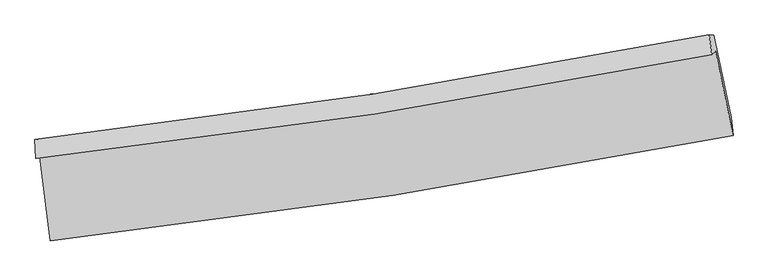
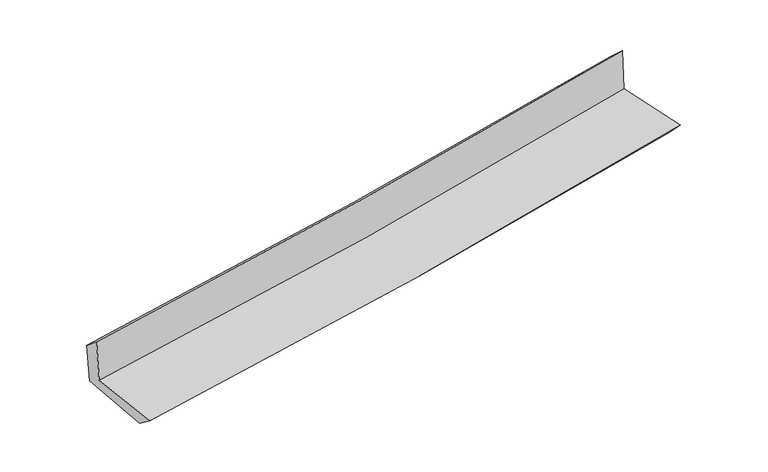
"""IFC4 building model written with IfcOpenShell, lengths in millimetres: proxy geometry."""

import ifcopenshell
import ifcopenshell.guid

model = None  # the IFC model being written
_history = None  # IfcOwnerHistory: only IFC2X3 demands one
_inside = {}  # id of a spatial element -> (the spatial element, [elements in it])
_under = {}  # id of a project, library or spatial element -> (it, [spatial elements below it])
_declared = {}  # id of a project -> (the project, [libraries it declares])
_typed = {}  # id of a type object -> (the type object, [elements of that type])
_made_of = {}  # id of a material, layer set ... -> (it, [elements and type objects made of it])


def new_model(schema):
    """Start an empty IFC model of exactly this schema.

    Asked for "IFC4X3", IfcOpenShell would pick the latest addendum, in which some entities
    have other attributes; the version numbers below select the first issue.
    IFC2X3 requires an IfcOwnerHistory on every rooted entity: one is made here for all.
    """
    global model, _history
    if schema == "IFC4X3":
        model = ifcopenshell.file(schema_version=(4, 3, 0, 0))
    else:
        model = ifcopenshell.file(schema=schema)
    _inside.clear()
    _under.clear()
    _declared.clear()
    _typed.clear()
    _made_of.clear()
    _history = None
    if model.schema == "IFC2X3":
        org = make("IfcOrganization", Name="unknown")
        user = make(
            "IfcPersonAndOrganization",
            ThePerson=make("IfcPerson", FamilyName="unknown"),
            TheOrganization=org,
        )
        app = make(
            "IfcApplication",
            ApplicationDeveloper=org,
            Version="unknown",
            ApplicationFullName="unknown",
            ApplicationIdentifier="unknown",
        )
        _history = make(
            "IfcOwnerHistory",
            OwningUser=user,
            OwningApplication=app,
            ChangeAction="ADDED",
            CreationDate=0,
        )
    return model


def make(cls, **values):
    """One entity of the class cls with the attributes given. An attribute that is None is left unset."""
    return model.create_entity(
        cls, **{name: value for name, value in values.items() if value is not None}
    )


def rooted(cls, **values):
    """An entity with a GlobalId (a new one), such as an element, a storey or a relation."""
    return make(cls, GlobalId=ifcopenshell.guid.new(), OwnerHistory=_history, **values)


def si_unit(unit_type, name, prefix=None):
    """IfcSIUnit, for example si_unit("LENGTHUNIT", "METRE", prefix="MILLI")."""
    return make("IfcSIUnit", UnitType=unit_type, Prefix=prefix, Name=name)


def assignment(units):
    """IfcUnitAssignment: the units of a project."""
    return None if units is None else make("IfcUnitAssignment", Units=units)


def point(xyz):
    """IfcCartesianPoint."""
    return None if xyz is None else make("IfcCartesianPoint", Coordinates=xyz)


def direction(xyz):
    """IfcDirection."""
    return None if xyz is None else make("IfcDirection", DirectionRatios=xyz)


def frame(location, z_axis=None, x_axis=None):
    """IfcAxis2Placement3D, a coordinate frame: its origin and axes. An axis left out is left unset."""
    return make(
        "IfcAxis2Placement3D",
        Location=point(location),
        Axis=direction(z_axis),
        RefDirection=direction(x_axis),
    )


def origin():
    """The frame at (0, 0, 0) with its axes left unset."""
    return frame((0.0, 0.0, 0.0))


def place(relative_to, where):
    """IfcLocalPlacement: puts the frame where relative to a parent placement (None: the world)."""
    return make(
        "IfcLocalPlacement", PlacementRelTo=relative_to, RelativePlacement=where
    )


def context(
    kind, dimensions, precision=None, world=None, true_north=None, identifier=None
):
    """IfcGeometricRepresentationContext, for example the 3D "Model" context."""
    return make(
        "IfcGeometricRepresentationContext",
        ContextIdentifier=identifier,
        ContextType=kind,
        CoordinateSpaceDimension=dimensions,
        Precision=precision,
        WorldCoordinateSystem=world,
        TrueNorth=true_north,
    )


def project(units=None, contexts=None):
    """IfcProject with its units and contexts."""
    return rooted(
        "IfcProject",
        Name="project",
        RepresentationContexts=contexts,
        UnitsInContext=assignment(units),
    )


def spatial(cls, under=None, at=None, **own):
    """A site, building, storey or space (cls), placed at a placement, below another one or the project."""
    s = rooted(cls, ObjectPlacement=at, **own)
    if under is not None:
        _under.setdefault(under.id(), (under, []))[1].append(s)
    return s


def shape(context_of_items, identifier, shape_type, items):
    """IfcShapeRepresentation: the items that make up one representation, for example the "Body"."""
    return make(
        "IfcShapeRepresentation",
        ContextOfItems=context_of_items,
        RepresentationIdentifier=identifier,
        RepresentationType=shape_type,
        Items=items,
    )


def source(mapping_origin, context_of_items, identifier, shape_type, items):
    """IfcRepresentationMap: a shape defined once, which mapped items show again and again."""
    return make(
        "IfcRepresentationMap",
        MappingOrigin=mapping_origin,
        MappedRepresentation=shape(context_of_items, identifier, shape_type, items),
    )


def transform(
    local_origin,
    x_axis=None,
    y_axis=None,
    z_axis=None,
    scale=None,
    scale2=None,
    scale3=None,
    uniform=True,
):
    """IfcCartesianTransformationOperator3D, or its non-uniform kind. x_axis, y_axis, z_axis: its Axis1, 2, 3."""
    if uniform:
        return make(
            "IfcCartesianTransformationOperator3D",
            Axis1=direction(x_axis),
            Axis2=direction(y_axis),
            LocalOrigin=point(local_origin),
            Scale=scale,
            Axis3=direction(z_axis),
        )
    return make(
        "IfcCartesianTransformationOperator3DnonUniform",
        Axis1=direction(x_axis),
        Axis2=direction(y_axis),
        LocalOrigin=point(local_origin),
        Scale=scale,
        Axis3=direction(z_axis),
        Scale2=scale2,
        Scale3=scale3,
    )


def mapped(mapping_source, mapping_target):
    """IfcMappedItem: shows the shape of a source again, moved by a transform."""
    return make(
        "IfcMappedItem", MappingSource=mapping_source, MappingTarget=mapping_target
    )


def made_of(thing, what):
    """Note that an element or type object is made of a material, layer set ...; save() writes the relation."""
    if what is not None:
        _made_of.setdefault(what.id(), (what, []))[1].append(thing)
    return thing


def element(
    cls,
    number,
    at=None,
    inside=None,
    cuts=None,
    type_object=None,
    material=None,
    context=None,
    identifier="Body",
    shape_type=None,
    held_by="IfcProductDefinitionShape",
    body=None,
    shapes=None,
    **own,
):
    """One element of the class cls, such as IfcWall. Its Tag is "e" and its number.

    at: its placement. inside: the storey or other place that contains it. cuts: it is an
    opening in that element (IfcRelVoidsElement). A single representation is given by context,
    identifier, shape_type and body (its items); several are given by shapes. held_by: the class
    of the entity that holds the representations. save() writes the other relations.
    """
    e = rooted(cls, Tag="e%d" % number, ObjectPlacement=at, **own)
    if body is not None:
        shapes = [shape(context, identifier, shape_type, body)]
    if shapes is not None:
        e.Representation = make(held_by, Representations=shapes)
    if inside is not None:
        _inside.setdefault(inside.id(), (inside, []))[1].append(e)
    if cuts is not None:
        rooted(
            "IfcRelVoidsElement", RelatingBuildingElement=cuts, RelatedOpeningElement=e
        )
    if type_object is not None:
        _typed.setdefault(type_object.id(), (type_object, []))[1].append(e)
    return made_of(e, material)


def aggregate(whole, parts):
    """IfcRelAggregates: a whole, such as a stair, and the parts it consists of."""
    return rooted("IfcRelAggregates", RelatingObject=whole, RelatedObjects=parts)


def save(model, path):
    """Write the relations noted so far, then the file.

    IfcRelAggregates (storeys below a building ...), IfcRelContainedInSpatialStructure (elements
    in a storey), IfcRelDefinesByType, IfcRelAssociatesMaterial and IfcRelDeclares: one each for
    every whole, place, type object, material and project.
    """
    for whole, parts in _under.values():
        aggregate(whole, parts)
    for where, things in _inside.values():
        rooted(
            "IfcRelContainedInSpatialStructure",
            RelatedElements=things,
            RelatingStructure=where,
        )
    for kind, things in _typed.values():
        rooted("IfcRelDefinesByType", RelatedObjects=things, RelatingType=kind)
    for what, things in _made_of.values():
        rooted("IfcRelAssociatesMaterial", RelatedObjects=things, RelatingMaterial=what)
    for by, libraries in _declared.values():
        rooted("IfcRelDeclares", RelatingContext=by, RelatedDefinitions=libraries)
    model.write(path)


def plane_surface(at):
    """IfcPlane: the flat surface through the origin of the frame at, square to its z axis."""
    return make("IfcPlane", Position=at)


def spline_curve(degree, points, multiplicities, knots, weights=None):
    """IfcBSplineCurveWithKnots; with weights, IfcRationalBSplineCurveWithKnots."""
    own = dict(
        Degree=degree,
        ControlPointsList=[point(p) for p in points],
        CurveForm="UNSPECIFIED",
        ClosedCurve=False,
        SelfIntersect=False,
        KnotMultiplicities=multiplicities,
        Knots=knots,
        KnotSpec="UNSPECIFIED",
    )
    if weights is None:
        return make("IfcBSplineCurveWithKnots", **own)
    return make("IfcRationalBSplineCurveWithKnots", WeightsData=weights, **own)


def spline_surface(u_degree, v_degree, points, u_multiplicities, v_multiplicities, u_knots, v_knots, weights=None):
    """IfcBSplineSurfaceWithKnots; with weights, IfcRationalBSplineSurfaceWithKnots. points: one row for each step in u."""
    own = dict(
        UDegree=u_degree,
        VDegree=v_degree,
        ControlPointsList=[[point(p) for p in row] for row in points],
        SurfaceForm="UNSPECIFIED",
        UClosed=False,
        VClosed=False,
        SelfIntersect=False,
        UMultiplicities=u_multiplicities,
        VMultiplicities=v_multiplicities,
        UKnots=u_knots,
        VKnots=v_knots,
        KnotSpec="UNSPECIFIED",
    )
    if weights is None:
        return make("IfcBSplineSurfaceWithKnots", **own)
    return make("IfcRationalBSplineSurfaceWithKnots", WeightsData=weights, **own)


def advanced_brep(points, edges, surfaces, faces):
    """IfcAdvancedBrep: a solid bounded by faces that lie on surfaces and meet in shared edges.

    An edge is (start, end): straight between two places in points (the first is 0);
    or (start, end, curve); or (start, end, curve, False) where it runs against its curve.
    A face is (place in surfaces, loops), or (place, loops, False) where it looks against
    its surface's normal. A loop lists edges by number (the first is 1), with a minus sign
    where the edge is run from its end to its start. The first loop is the outer one.
    """
    corners = [point(p) for p in points]
    vertices = [make("IfcVertexPoint", VertexGeometry=c) for c in corners]
    made = []
    for start, end, *more in edges:
        made.append(
            make(
                "IfcEdgeCurve",
                EdgeStart=vertices[start],
                EdgeEnd=vertices[end],
                EdgeGeometry=more[0] if more else make("IfcPolyline", Points=[corners[start], corners[end]]),
                SameSense=more[1] if len(more) > 1 else True,
            )
        )
    hull = []
    for where, loops, *sense in faces:
        bounds = []
        for j, loop in enumerate(loops):
            ring = [make("IfcOrientedEdge", EdgeElement=made[abs(k) - 1], Orientation=k > 0) for k in loop]
            bounds.append(
                make(
                    "IfcFaceOuterBound" if j == 0 else "IfcFaceBound",
                    Bound=make("IfcEdgeLoop", EdgeList=ring),
                    Orientation=True,
                )
            )
        hull.append(make("IfcAdvancedFace", Bounds=bounds, FaceSurface=surfaces[where], SameSense=sense[0] if sense else True))
    return make("IfcAdvancedBrep", Outer=make("IfcClosedShell", CfsFaces=hull))


def generic_models_7ab4dd5d(model_context):
    return source(origin(), model_context, "Body", "AdvancedBrep", [
        advanced_brep(
        [(-2673.2407196, -1888.3377568, 1655.4034293), (-2593.8892669, -2550.9034927, 1637.0632009), (2751.1568942, -1722.8749905, 2128.2282285), (2614.2445652, -1063.8685397, 2131.6535555), (-2705.8010059, -1903.1813176, 2050.7708454), (2583.7653117, -1088.9760685, 2527.5374768), (-2712.3003083, -1756.7908498, 1927.6572931), (2564.8963719, -934.5360148, 2381.7091689), (-2682.0946942, -1751.5769446, 1572.4558749), (2597.8648284, -938.9980634, 2026.2104152), (-2601.4740146, -2403.1448501, 1524.609693), (2734.8740435, -1581.1473443, 1982.9438698)],
        [
            (0, 1),
            (1, 2, spline_curve(3, [(-2593.8892669, -2550.9034927, 1637.0632009), (-1696.883050152, -2450.762395854, 1721.314921947), (-802.920202833, -2331.681674284, 1804.37472518), (978.760771413, -2055.665457514, 1968.095978151), (1866.479978148, -1898.736677962, 2048.757851095), (2751.1568942, -1722.8749905, 2128.2282285)], [4, 2, 4], [0.0, 8.864703301248774, 17.72783468566097])),
            (2, 3),
            (3, 0, spline_curve(3, [(2614.2445652, -1063.8685397, 2131.6535555), (1739.204687894, -1243.99877121, 2057.836863839), (861.100317029, -1402.765457293, 1981.24477273), (-901.393690552, -1677.596107981, 1822.495715283), (-1785.784414919, -1793.652494198, 1740.337764414), (-2673.2407196, -1888.3377568, 1655.4034293)], [4, 2, 4], [0.0, 8.863131384412196, 17.72783468566097])),
            (4, 0),
            (3, 5),
            (5, 4, spline_curve(3, [(2583.7653117, -1088.9760685, 2527.5374768), (1707.644843025, -1263.992751023, 2453.949529369), (828.826740075, -1419.347256899, 2377.428786152), (-934.361075518, -1690.755981556, 2218.507616), (-1818.73174514, -1806.803225152, 2136.106148848), (-2705.8010059, -1903.1813176, 2050.7708454)], [4, 2, 4], [0.0, 8.815695295721552, 17.632954095272673])),
            (6, 4),
            (5, 7),
            (7, 6, spline_curve(3, [(2564.8963719, -934.5360148, 2381.7091689), (1690.038578878, -1107.301882679, 2314.513025917), (812.882489935, -1262.201561671, 2243.081029054), (-946.182254587, -1536.292844445, 2091.731906307), (-1828.091725784, -1655.478110645, 2011.813278069), (-2712.3003083, -1756.7908498, 1927.6572931)], [4, 2, 4], [0.0, 8.805088388754976, 17.61173840015612])),
            (8, 6),
            (7, 9),
            (9, 8, spline_curve(3, [(2597.8648284, -938.9980634, 2026.2104152), (1723.266929386, -1113.512710368, 1955.574208514), (846.010603037, -1268.480669563, 1882.446800472), (-913.974961738, -1539.347230818, 1731.196171022), (-1796.70514272, -1655.238898415, 1653.072065419), (-2682.0946942, -1751.5769446, 1572.4558749)], [4, 2, 4], [0.0, 8.795488029981223, 17.592535979941132])),
            (10, 8),
            (9, 11),
            (11, 10, spline_curve(3, [(2734.8740435, -1581.1473443, 1982.9438698), (1850.93745087, -1754.329271989, 1911.666414573), (964.313152187, -1909.415558667, 1837.836785238), (-814.468580333, -2183.42114645, 1685.0596319), (-1706.626967857, -2302.334028457, 1606.111202127), (-2601.4740146, -2403.1448501, 1524.609693)], [4, 2, 4], [0.0, 8.843514616514517, 17.68859767074222])),
            (1, 10),
            (11, 2),
        ],
        [
            spline_surface(3, 3, [[(-2673.2407196, -1888.3377568, 1655.4034293), (-1785.784414832, -1793.652494313, 1740.337764312), (-901.393690682, -1677.596108094, 1822.495715255), (861.100317158, -1402.765457181, 1981.244772758), (1739.204687928, -1243.998771093, 2057.836863914), (2614.2445652, -1063.8685397, 2131.6535555)], [(-2646.79023537, -2109.193002077, 1649.290019811), (-1756.150626605, -2012.689128092, 1733.996816847), (-868.569194795, -1895.624630189, 1816.455385182), (900.320468591, -1620.398790579, 1976.86184125), (1781.629784621, -1462.244740062, 2054.810526286), (2659.882008191, -1283.53735664, 2130.511779829)], [(-2620.33975113, -2330.048247423, 1643.176610389), (-1726.516838367, -2231.72576194, 1727.655869447), (-835.744698836, -2113.653152306, 1810.41505514), (939.540620096, -1838.032123999, 1972.478909772), (1824.054881341, -1680.490709011, 2051.784188671), (2705.519451209, -1503.20617356, 2129.370004171)], [(-2593.8892669, -2550.9034927, 1637.0632009), (-1696.88305014, -2450.762395719, 1721.314921982), (-802.920202949, -2331.681674401, 1804.374725068), (978.760771529, -2055.665457397, 1968.095978264), (1866.479978035, -1898.736677981, 2048.757851042), (2751.1568942, -1722.8749905, 2128.2282285)]], [4, 4], [4, 2, 4], [0.0, 2.173727946915079], [0.0, 8.864703301248774, 17.72783468566097]),
            spline_surface(3, 3, [[(-2705.8010059, -1903.1813176, 2050.7708454), (-1818.731745064, -1806.803225291, 2136.106148942), (-934.361075499, -1690.755981565, 2218.507616025), (828.826740056, -1419.347256889, 2377.428786127), (1707.644843061, -1263.992750923, 2453.949529477), (2583.7653117, -1088.9760685, 2527.5374768)], [(-2694.94757714, -1898.233464015, 1918.98170672), (-1807.74930166, -1802.419648313, 2004.183354085), (-923.371947209, -1686.369357086, 2086.503649092), (839.584599107, -1413.819990331, 2245.367448327), (1718.164791368, -1257.328090968, 2321.911974276), (2593.925062885, -1080.606892222, 2395.576169687)], [(-2684.09414836, -1893.285610385, 1787.19256798), (-1796.766858236, -1798.036071291, 1872.260559169), (-912.382818971, -1681.982732573, 1954.499682188), (850.342458107, -1408.292723739, 2113.306110558), (1728.68473962, -1250.663431047, 2189.874419114), (2604.084814015, -1072.237715978, 2263.614862613)], [(-2673.2407196, -1888.3377568, 1655.4034293), (-1785.784414832, -1793.652494313, 1740.337764312), (-901.393690682, -1677.596108094, 1822.495715255), (861.100317158, -1402.765457181, 1981.244772758), (1739.204687928, -1243.998771093, 2057.836863914), (2614.2445652, -1063.8685397, 2131.6535555)]], [4, 4], [4, 2, 4], [0.0, 1.3048458004752517], [0.0, 8.817258799551121, 17.632954095272673]),
            spline_surface(3, 3, [[(-2712.3003083, -1756.7908498, 1927.6572931), (-1828.091725888, -1655.478110643, 2011.813278173), (-946.182254703, -1536.292844495, 2091.731906349), (812.882490051, -1262.201561621, 2243.081029012), (1690.03857896, -1107.301882792, 2314.513026051), (2564.8963719, -934.5360148, 2381.7091689)], [(-2710.133874158, -1805.587672398, 1968.695143867), (-1824.971732271, -1705.919815523, 2053.244235096), (-942.241861649, -1587.780556855, 2133.990476255), (818.197240038, -1314.583460047, 2287.863614731), (1695.907333665, -1159.532172174, 2360.991860518), (2571.186018505, -986.016032705, 2430.318604858)], [(-2707.967440042, -1854.384495002, 2009.732994633), (-1821.851738681, -1756.361520411, 2094.675192018), (-938.301468552, -1639.268269205, 2176.249046119), (823.511990068, -1366.965358463, 2332.646200408), (1701.776088355, -1211.76246154, 2407.47069501), (2577.475665095, -1037.496050595, 2478.928040842)], [(-2705.8010059, -1903.1813176, 2050.7708454), (-1818.731745064, -1806.803225291, 2136.106148942), (-934.361075499, -1690.755981565, 2218.507616025), (828.826740056, -1419.347256889, 2377.428786127), (1707.644843061, -1263.992750923, 2453.949529477), (2583.7653117, -1088.9760685, 2527.5374768)]], [4, 4], [4, 2, 4], [0.0, 0.6684694379206134], [0.0, 8.806650011401144, 17.61173840015612]),
            spline_surface(3, 3, [[(-2682.0946942, -1751.5769446, 1572.4558749), (-1796.705142645, -1655.238898487, 1653.072065416), (-913.974961592, -1539.347230734, 1731.196170888), (846.010602891, -1268.480669647, 1882.446800606), (1723.266929368, -1113.512710367, 1955.574208538), (2597.8648284, -938.9980634, 2026.2104152)], [(-2692.163232214, -1753.314912998, 1690.856347627), (-1807.16733704, -1655.31863587, 1772.652469662), (-924.710725959, -1538.329101967, 1851.374749367), (834.967898614, -1266.387633617, 2002.658210067), (1712.190812569, -1111.442434512, 2075.220481047), (2586.875342904, -937.51071387, 2144.709999772)], [(-2702.231770286, -1755.052881402, 1809.256820373), (-1817.629531494, -1655.398373259, 1892.232873927), (-935.446490336, -1537.310973262, 1971.55332787), (823.925194327, -1264.29459765, 2122.869619551), (1701.114695759, -1109.372158647, 2194.866753542), (2575.885857396, -936.02336433, 2263.209584328)], [(-2712.3003083, -1756.7908498, 1927.6572931), (-1828.091725888, -1655.478110643, 2011.813278173), (-946.182254703, -1536.292844495, 2091.731906349), (812.882490051, -1262.201561621, 2243.081029012), (1690.03857896, -1107.301882792, 2314.513026051), (2564.8963719, -934.5360148, 2381.7091689)]], [4, 4], [4, 2, 4], [0.0, 1.1879652256613817], [0.0, 8.797047949959909, 17.592535979941132]),
            spline_surface(3, 3, [[(-2601.4740146, -2403.1448501, 1524.609693), (-1706.626967823, -2302.334028355, 1606.111202131), (-814.468580365, -2183.421146486, 1685.05963179), (964.313152219, -1909.415558631, 1837.836785348), (1850.937450815, -1754.329271893, 1911.666414654), (2734.8740435, -1581.1473443, 1982.9438698)], [(-2628.34757449, -2185.955548288, 1540.55842029), (-1736.65302612, -2086.635651754, 1621.764823216), (-847.637374095, -1968.729841248, 1700.438478172), (924.878969122, -1695.77059565, 1852.70679045), (1808.380610322, -1540.723751385, 1926.302345969), (2689.204305122, -1367.097584001, 1997.36605162)], [(-2655.22113431, -1968.766246412, 1556.50714761), (-1766.679084348, -1870.937275088, 1637.418444331), (-880.806167862, -1754.038535972, 1715.817324506), (885.444785988, -1482.125632629, 1867.576795504), (1765.823769861, -1327.118230875, 1940.938277223), (2643.534566778, -1153.047823699, 2011.78823338)], [(-2682.0946942, -1751.5769446, 1572.4558749), (-1796.705142645, -1655.238898487, 1653.072065416), (-913.974961592, -1539.347230734, 1731.196170888), (846.010602891, -1268.480669647, 1882.446800606), (1723.266929368, -1113.512710367, 1955.574208538), (2597.8648284, -938.9980634, 2026.2104152)]], [4, 4], [4, 2, 4], [0.0, 2.143196779371527], [0.0, 8.845083054227702, 17.68859767074222]),
            spline_surface(3, 3, [[(-2593.8892669, -2550.9034927, 1637.0632009), (-1696.88305014, -2450.762395719, 1721.314921982), (-802.920202949, -2331.681674401, 1804.374725068), (978.760771529, -2055.665457397, 1968.095978264), (1866.479978035, -1898.736677981, 2048.757851042), (2751.1568942, -1722.8749905, 2128.2282285)], [(-2596.417516129, -2501.650611824, 1599.578698285), (-1700.131022696, -2401.286273256, 1682.91368205), (-806.769662083, -2282.261498429, 1764.603027306), (973.94489843, -2006.915491142, 1924.67624729), (1861.299135621, -1850.600875946, 2003.06070558), (2745.729277293, -1675.632441761, 2079.800108934)], [(-2598.945765371, -2452.397730976, 1562.094195615), (-1703.378995267, -2351.810150819, 1644.512442064), (-810.619121231, -2232.841322457, 1724.831329552), (969.129025318, -1958.165524886, 1881.256516322), (1856.118293229, -1802.465073927, 1957.363560116), (2740.301660407, -1628.389893039, 2031.371989366)], [(-2601.4740146, -2403.1448501, 1524.609693), (-1706.626967823, -2302.334028355, 1606.111202131), (-814.468580365, -2183.421146486, 1685.05963179), (964.313152219, -1909.415558631, 1837.836785348), (1850.937450815, -1754.329271893, 1911.666414654), (2734.8740435, -1581.1473443, 1982.9438698)]], [4, 4], [4, 2, 4], [0.0, 0.6346935549408326], [0.0, 8.902117594192966, 17.80265663713024]),
            plane_surface(frame((2641.1336691, -1221.7335035, 2196.3804525), z_axis=(0.9753927135112425, 0.2021863932199793, 0.08791880814633155), x_axis=(-0.09233514571442047, 0.012496912220090785, 0.9956495608650969))),
            plane_surface(frame((-2661.4666682, -2042.3225353, 1727.9933894), z_axis=(-0.9895165235684453, -0.11613193904679588, -0.08585116375594395), x_axis=(-0.11886922739946697, 0.9925297452064032, 0.02747383588009161))),
        ],
        [
            (0, [[1, 2, 3, 4]]),
            (1, [[5, -4, 6, 7]]),
            (2, [[8, -7, 9, 10]]),
            (3, [[11, -10, 12, 13]]),
            (4, [[14, -13, 15, 16]]),
            (5, [[17, -16, 18, -2]]),
            (6, [[-12, -9, -6, -3, -18, -15]]),
            (7, [[-1, -5, -8, -11, -14, -17]]),
        ],
    ),
    ])


if __name__ == "__main__":
    model = new_model("IFC4")
    model_context = context("Model", 3, world=origin())
    ifc_project = project(units=[si_unit("LENGTHUNIT", "METRE", prefix="MILLI")], contexts=[model_context])
    site = spatial("IfcSite", under=ifc_project)
    building = spatial("IfcBuilding", under=site)
    placement = place(None, origin())
    generic_models_shape = generic_models_7ab4dd5d(model_context)
    element("IfcBuildingElementProxy", 1, Name="Generic Models", at=placement, inside=building, context=model_context, shape_type="MappedRepresentation", body=[
        mapped(generic_models_shape, transform((0.0, 0.0, 0.0), x_axis=(1.0, 0.0, 0.0), y_axis=(0.0, 1.0, 0.0), z_axis=(0.0, 0.0, 1.0))),
    ])
    save(model, "model.ifc")
